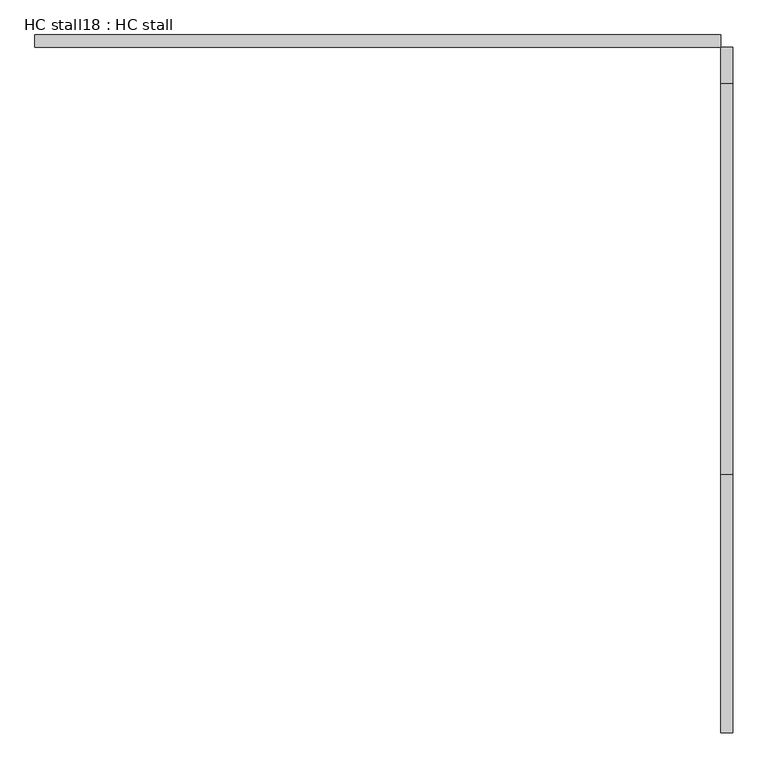
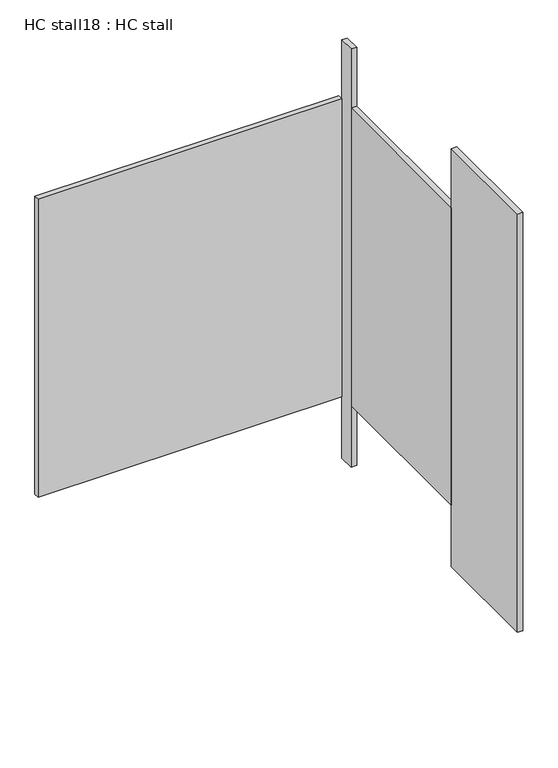
"""IFC4 building model written with IfcOpenShell, lengths in millimetres: proxy geometry, HC stall18 : HC stall."""

from ifc_helpers import new_model, si_unit, frame, origin, origin_with_axes, place, context, project, spatial, polyline, outline, extrude, source, transform, mapped, element, save


def hc_stall18_hc_stall_37e51ec6(model_context):
    return source(origin(), model_context, "Body", "SweptSolid", [
        extrude(outline(polyline([(456785.4504676, -337860.4955223), (458207.8504676, -337860.4955223), (458207.8504676, -337885.8955223), (456785.4504676, -337885.8955223), (456785.4504676, -337860.4955223)])), frame((0.0, 0.0, 304.8), z_axis=(0.0, 0.0, 1.0), x_axis=(1.0, 0.0, 0.0)), (0.0, 0.0, 1.0), 1473.2),
        extrude(outline(polyline([(458207.8504676, -338773.3080223), (458233.2504676, -338773.3080223), (458233.2504676, -339308.2955223), (458207.8504676, -339308.2955223), (458207.8504676, -338773.3080223)])), origin_with_axes(), (0.0, 0.0, 1.0), 2070.1),
        extrude(outline(polyline([(458207.8504676, -337885.8955223), (458233.2504676, -337885.8955223), (458233.2504676, -337960.5080223), (458207.8504676, -337960.5080223), (458207.8504676, -337885.8955223)])), origin_with_axes(), (0.0, 0.0, 1.0), 2070.1),
        extrude(outline(polyline([(458207.8504676, -337960.5080223), (458233.2504676, -337960.5080223), (458233.2504676, -338773.3080223), (458207.8504676, -338773.3080223), (458207.8504676, -337960.5080223)])), frame((0.0, 0.0, 304.8), z_axis=(0.0, 0.0, 1.0), x_axis=(1.0, 0.0, 0.0)), (0.0, 0.0, 1.0), 1473.2),
    ])


if __name__ == "__main__":
    model = new_model("IFC4")
    model_context = context("Model", 3, world=origin())
    ifc_project = project(units=[si_unit("LENGTHUNIT", "METRE", prefix="MILLI")], contexts=[model_context])
    site = spatial("IfcSite", under=ifc_project)
    building = spatial("IfcBuilding", under=site)
    placement = place(None, origin())
    hc_stall18_hc_stall_shape = hc_stall18_hc_stall_37e51ec6(model_context)
    element("IfcBuildingElementProxy", 1, Name="HC stall18 : HC stall", ObjectType="HC stall18 : HC stall", at=placement, inside=building, context=model_context, shape_type="MappedRepresentation", body=[
        mapped(hc_stall18_hc_stall_shape, transform((0.0, 0.0, 0.0), x_axis=(1.0, 0.0, 0.0), y_axis=(0.0, 1.0, 0.0), z_axis=(0.0, 0.0, 1.0))),
    ])
    save(model, "model.ifc")
